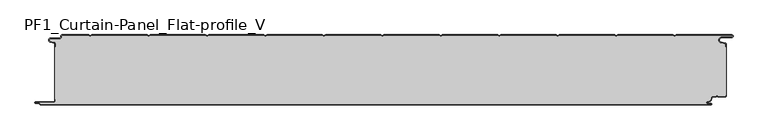
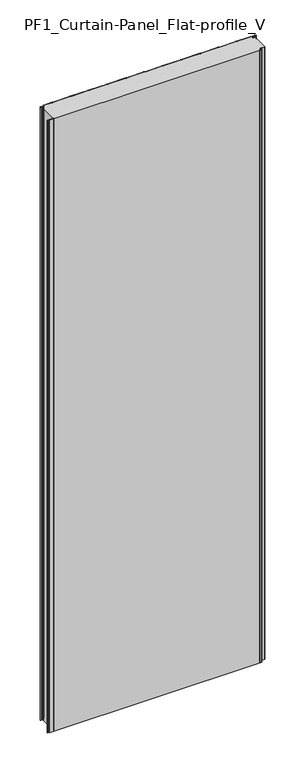
"""IFC4 building model written with IfcOpenShell, lengths in millimetres: plate geometry, PF1_Curtain-Panel_Flat-profile_V."""

from ifc_helpers import new_model, si_unit, point, frame_2d, origin, origin_with_axes, place, context, project, spatial, polyline, circle_curve, trimmed, segment, composite_curve, outline, extrude, source, transform, mapped, element, save


def pf1_curtain_panel_flat_profile_v_a1e97c4b(model_context):
    return source(origin(), model_context, "Body", "SweptSolid", [
        extrude(outline(composite_curve([segment(trimmed(circle_curve(frame_2d((-577.0, -15.878557)), 2.0), [point((-575.0, -15.878557))], [point((-576.5500978, -13.9298169))], True, "CARTESIAN"), True, "CONTINUOUS"), segment(polyline([(-576.5500978, -13.9298169), (-582.7098239, -12.507732)]), True, "CONTINUOUS"), segment(trimmed(circle_curve(frame_2d((-581.9, -9.0)), 3.6), [point((-582.7098239, -12.507732))], [point((-581.9, -5.4))], False, "CARTESIAN"), True, "CONTINUOUS"), segment(polyline([(-581.9, -5.4), (-566.4, -5.4)]), True, "CONTINUOUS"), segment(trimmed(circle_curve(frame_2d((-566.4, -3.4)), 2.0), [point((-566.4, -5.4))], [point((-564.4, -3.4))], True, "CARTESIAN"), True, "CONTINUOUS"), segment(polyline([(-564.4, -3.4), (-564.4, -2.0)]), True, "CONTINUOUS"), segment(trimmed(circle_curve(frame_2d((-562.4, -2.0)), 2.0), [point((-564.4, -2.0))], [point((-562.4, 0.0))], False, "CARTESIAN"), True, "CONTINUOUS"), segment(polyline([(-562.4, 0.0), (-517.0999995, 0.0), (-514.4, -1.5588455), (-511.7000005, 0.0), (-417.0999995, 0.0), (-414.4, -1.5588455), (-411.7000005, 0.0), (-317.0999995, 0.0), (-314.4, -1.5588455), (-311.7000005, 0.0), (-217.0999995, 0.0), (-214.4, -1.5588455), (-211.7000005, 0.0), (-117.0999995, 0.0), (-114.4, -1.5588455), (-111.7000005, 0.0), (-17.0999995, 0.0), (-14.4, -1.5588455), (-11.7000005, 0.0), (82.9000005, 0.0), (85.6, -1.5588455), (88.2999995, 0.0), (182.9000005, 0.0), (185.6, -1.5588455), (188.2999995, 0.0), (282.9000005, 0.0), (285.6, -1.5588455), (288.2999995, 0.0), (382.9000005, 0.0), (385.6, -1.5588455), (388.2999995, 0.0), (482.9000005, 0.0), (485.6, -1.5588455), (488.2999995, 0.0), (583.268846, 0.0)]), True, "CONTINUOUS"), segment(trimmed(circle_curve(frame_2d((583.268846, -2.5)), 2.5), [point((583.268846, 0.0))], [point((583.268846, -5.0))], False, "CARTESIAN"), True, "CONTINUOUS"), segment(polyline([(583.268846, -5.0), (566.268846, -5.0)]), True, "CONTINUOUS"), segment(trimmed(circle_curve(frame_2d((566.268846, -9.0)), 4.0), [point((566.268846, -5.0))], [point((565.574253, -12.939231))], True, "CARTESIAN"), True, "CONTINUOUS"), segment(polyline([(565.574253, -12.939231), (572.0203315, -14.0758491)]), True, "CONTINUOUS"), segment(trimmed(circle_curve(frame_2d((571.568846, -16.6363492)), 2.6), [point((572.0203315, -14.0758491))], [point((574.168846, -16.6363492))], False, "CARTESIAN"), True, "CONTINUOUS"), segment(polyline([(574.168846, -16.6363492), (574.168846, -20.0), (573.368846, -20.0), (573.368846, -16.6363492)]), True, "CONTINUOUS"), segment(trimmed(circle_curve(frame_2d((571.568846, -16.6363492)), 1.8), [point((573.368846, -16.6363492))], [point((571.8814129, -14.8636953))], True, "CARTESIAN"), True, "CONTINUOUS"), segment(polyline([(571.8814129, -14.8636953), (565.4353344, -13.7270772)]), True, "CONTINUOUS"), segment(trimmed(circle_curve(frame_2d((566.268846, -9.0)), 4.8), [point((565.4353344, -13.7270772))], [point((566.268846, -4.2))], False, "CARTESIAN"), True, "CONTINUOUS"), segment(polyline([(566.268846, -4.2), (583.268846, -4.2)]), True, "CONTINUOUS"), segment(trimmed(circle_curve(frame_2d((583.268846, -2.5)), 1.7), [point((583.268846, -4.2))], [point((583.268846, -0.8))], True, "CARTESIAN"), True, "CONTINUOUS"), segment(polyline([(583.268846, -0.8), (488.5143588, -0.8), (485.6, -2.482606), (482.6856412, -0.8), (388.5143588, -0.8), (385.6, -2.482606), (382.6856412, -0.8), (288.5143588, -0.8), (285.6, -2.482606), (282.6856412, -0.8), (188.5143588, -0.8), (185.6, -2.482606), (182.6856412, -0.8), (88.5143588, -0.8), (85.6, -2.482606), (82.6856412, -0.8), (-11.4856412, -0.8), (-14.4, -2.482606), (-17.3143588, -0.8), (-111.4856412, -0.8), (-114.4, -2.482606), (-117.3143588, -0.8), (-211.4856412, -0.8), (-214.4, -2.482606), (-217.3143588, -0.8), (-311.4856412, -0.8), (-314.4, -2.482606), (-317.3143588, -0.8), (-411.4856412, -0.8), (-414.4, -2.482606), (-417.3143588, -0.8), (-511.4856412, -0.8), (-514.4, -2.482606), (-517.3143588, -0.8), (-562.4, -0.8)]), True, "CONTINUOUS"), segment(trimmed(circle_curve(frame_2d((-562.4, -2.0)), 1.2), [point((-562.4, -0.8))], [point((-563.6, -2.0))], True, "CARTESIAN"), True, "CONTINUOUS"), segment(polyline([(-563.6, -2.0), (-563.6, -3.4)]), True, "CONTINUOUS"), segment(trimmed(circle_curve(frame_2d((-566.4, -3.4)), 2.8), [point((-563.6, -3.4))], [point((-566.4, -6.2))], False, "CARTESIAN"), True, "CONTINUOUS"), segment(polyline([(-566.4, -6.2), (-581.9, -6.2)]), True, "CONTINUOUS"), segment(trimmed(circle_curve(frame_2d((-581.9, -9.0)), 2.8), [point((-581.9, -6.2))], [point((-582.529863, -11.7282362))], True, "CARTESIAN"), True, "CONTINUOUS"), segment(polyline([(-582.529863, -11.7282362), (-576.370137, -13.150321)]), True, "CONTINUOUS"), segment(trimmed(circle_curve(frame_2d((-577.0, -15.878557)), 2.8), [point((-576.370137, -13.150321))], [point((-574.2, -15.878557))], False, "CARTESIAN"), True, "CONTINUOUS"), segment(polyline([(-574.2, -15.878557), (-574.2, -20.0), (-575.0, -20.0), (-575.0, -15.878557)]), True, "CONTINUOUS")], self_intersect=False)), origin_with_axes(), (0.0, 0.0, 1.0), 3500.0),
        extrude(outline(composite_curve([segment(polyline([(-574.2, -110.0), (-575.0, -110.0), (-575.0, -20.0), (-574.2, -20.0), (-574.2, -15.878557)]), True, "CONTINUOUS"), segment(trimmed(circle_curve(frame_2d((-577.0, -15.878557)), 2.8), [point((-574.2, -15.878557))], [point((-576.370137, -13.1503208))], True, "CARTESIAN"), True, "CONTINUOUS"), segment(polyline([(-576.370137, -13.1503208), (-582.529863, -11.7282362)]), True, "CONTINUOUS"), segment(trimmed(circle_curve(frame_2d((-581.9, -9.0)), 2.8), [point((-582.529863, -11.7282362))], [point((-581.9, -6.2))], False, "CARTESIAN"), True, "CONTINUOUS"), segment(polyline([(-581.9, -6.2), (-566.4, -6.2)]), True, "CONTINUOUS"), segment(trimmed(circle_curve(frame_2d((-566.4, -3.4)), 2.8), [point((-566.4, -6.2))], [point((-563.6, -3.4))], True, "CARTESIAN"), True, "CONTINUOUS"), segment(polyline([(-563.6, -3.4), (-563.6, -2.0)]), True, "CONTINUOUS"), segment(trimmed(circle_curve(frame_2d((-562.4, -2.0)), 1.2), [point((-563.6, -2.0))], [point((-562.4, -0.8))], False, "CARTESIAN"), True, "CONTINUOUS"), segment(polyline([(-562.4, -0.8), (-517.3143588, -0.8), (-514.4, -2.482606), (-511.4856412, -0.8), (-417.3143588, -0.8), (-414.4, -2.482606), (-411.4856412, -0.8), (-317.3143588, -0.8), (-314.4, -2.482606), (-311.4856412, -0.8), (-217.3143588, -0.8), (-214.4, -2.482606), (-211.4856412, -0.8), (-117.3143588, -0.8), (-114.4, -2.482606), (-111.4856412, -0.8), (-17.3143588, -0.8), (-14.4, -2.482606), (-11.4856412, -0.8), (82.6856412, -0.8), (85.6, -2.482606), (88.5143588, -0.8), (182.6856412, -0.8), (185.6, -2.482606), (188.5143588, -0.8), (282.6856412, -0.8), (285.6, -2.482606), (288.5143588, -0.8), (382.6856412, -0.8), (385.6, -2.482606), (388.5143588, -0.8), (482.6856412, -0.8), (485.6, -2.482606), (488.5143588, -0.8), (583.268846, -0.8)]), True, "CONTINUOUS"), segment(trimmed(circle_curve(frame_2d((583.268846, -2.5)), 1.7), [point((583.268846, -0.8))], [point((583.268846, -4.2))], False, "CARTESIAN"), True, "CONTINUOUS"), segment(polyline([(583.268846, -4.2), (566.268846, -4.2)]), True, "CONTINUOUS"), segment(trimmed(circle_curve(frame_2d((566.268846, -9.0)), 4.8), [point((566.268846, -4.2))], [point((565.4353344, -13.7270772))], True, "CARTESIAN"), True, "CONTINUOUS"), segment(polyline([(565.4353344, -13.7270772), (571.8814129, -14.8636953)]), True, "CONTINUOUS"), segment(trimmed(circle_curve(frame_2d((571.568846, -16.6363492)), 1.8), [point((571.8814129, -14.8636953))], [point((573.368846, -16.6363492))], False, "CARTESIAN"), True, "CONTINUOUS"), segment(polyline([(573.368846, -16.6363492), (573.368846, -20.0), (574.168846, -20.0), (574.168846, -103.0), (573.368846, -103.0), (573.368846, -104.4)]), True, "CONTINUOUS"), segment(trimmed(circle_curve(frame_2d((571.568846, -104.4)), 1.8), [point((573.368846, -104.4))], [point((571.568846, -106.2))], False, "CARTESIAN"), True, "CONTINUOUS"), segment(polyline([(571.568846, -106.2), (560.0002158, -106.2), (558.168846, -104.3686285), (556.3374762, -106.2), (550.168846, -106.2)]), True, "CONTINUOUS"), segment(trimmed(circle_curve(frame_2d((550.168846, -108.0)), 1.8), [point((550.168846, -106.2))], [point((548.368846, -108.0))], True, "CARTESIAN"), True, "CONTINUOUS"), segment(polyline([(548.368846, -108.0), (548.368846, -108.8276204)]), True, "CONTINUOUS"), segment(trimmed(circle_curve(frame_2d((542.9964664, -108.8276204)), 5.3723796), [point((548.368846, -108.8276204))], [point((542.9964664, -114.2))], False, "CARTESIAN"), True, "CONTINUOUS"), segment(polyline([(542.9964664, -114.2), (542.168846, -114.2)]), True, "CONTINUOUS"), segment(trimmed(circle_curve(frame_2d((542.168846, -116.4)), 2.2), [point((542.168846, -114.2))], [point((542.168846, -118.6))], True, "CARTESIAN"), True, "CONTINUOUS"), segment(polyline([(542.168846, -118.6), (548.0579973, -118.6)]), True, "CONTINUOUS"), segment(trimmed(circle_curve(frame_2d((548.0579973, -118.9)), 0.3), [point((548.0579973, -118.6))], [point((548.0579973, -119.2))], False, "CARTESIAN"), True, "CONTINUOUS"), segment(polyline([(548.0579973, -119.2), (-599.4, -119.2)]), True, "CONTINUOUS"), segment(trimmed(circle_curve(frame_2d((-599.4, -118.4)), 0.8), [point((-599.4, -119.2))], [point((-600.2, -118.4))], False, "CARTESIAN"), True, "CONTINUOUS"), segment(trimmed(circle_curve(frame_2d((-601.9, -118.6133333)), 1.7133333), [point((-600.2, -118.4))], [point((-601.9, -116.9))], True, "CARTESIAN"), True, "CONTINUOUS"), segment(polyline([(-601.9, -116.9), (-607.8700312, -116.9)]), True, "CONTINUOUS"), segment(trimmed(circle_curve(frame_2d((-607.8700312, -116.6)), 0.3), [point((-607.8700312, -116.9))], [point((-607.8700312, -116.3))], False, "CARTESIAN"), True, "CONTINUOUS"), segment(polyline([(-607.8700312, -116.3), (-577.0, -116.3)]), True, "CONTINUOUS"), segment(trimmed(circle_curve(frame_2d((-577.0, -113.5)), 2.8), [point((-577.0, -116.3))], [point((-574.2, -113.5))], True, "CARTESIAN"), True, "CONTINUOUS"), segment(polyline([(-574.2, -113.5), (-574.2, -110.0)]), True, "CONTINUOUS")], self_intersect=False)), origin_with_axes(), (0.0, 0.0, 1.0), 3500.0),
        extrude(outline(composite_curve([segment(polyline([(-575.0, -110.0), (-574.2, -110.0), (-574.2, -113.5)]), True, "CONTINUOUS"), segment(trimmed(circle_curve(frame_2d((-577.0, -113.5)), 2.8), [point((-574.2, -113.5))], [point((-577.0, -116.3))], False, "CARTESIAN"), True, "CONTINUOUS"), segment(polyline([(-577.0, -116.3), (-607.8700312, -116.3)]), True, "CONTINUOUS"), segment(trimmed(circle_curve(frame_2d((-607.8700312, -116.6)), 0.3), [point((-607.8700312, -116.3))], [point((-607.8700312, -116.9))], True, "CARTESIAN"), True, "CONTINUOUS"), segment(polyline([(-607.8700312, -116.9), (-601.9, -116.9)]), True, "CONTINUOUS"), segment(trimmed(circle_curve(frame_2d((-601.9, -118.6133333)), 1.7133333), [point((-601.9, -116.9))], [point((-600.2, -118.4))], False, "CARTESIAN"), True, "CONTINUOUS"), segment(trimmed(circle_curve(frame_2d((-599.4, -118.4)), 0.8), [point((-600.2, -118.4))], [point((-599.4, -119.2))], True, "CARTESIAN"), True, "CONTINUOUS"), segment(polyline([(-599.4, -119.2), (548.0579973, -119.2)]), True, "CONTINUOUS"), segment(trimmed(circle_curve(frame_2d((548.0579973, -118.9)), 0.3), [point((548.0579973, -119.2))], [point((548.0579973, -118.6))], True, "CARTESIAN"), True, "CONTINUOUS"), segment(polyline([(548.0579973, -118.6), (542.168846, -118.6)]), True, "CONTINUOUS"), segment(trimmed(circle_curve(frame_2d((542.168846, -116.4)), 2.2), [point((542.168846, -118.6))], [point((542.168846, -114.2))], False, "CARTESIAN"), True, "CONTINUOUS"), segment(polyline([(542.168846, -114.2), (542.9964664, -114.2)]), True, "CONTINUOUS"), segment(trimmed(circle_curve(frame_2d((542.9964664, -108.8276204)), 5.3723796), [point((542.9964664, -114.2))], [point((548.368846, -108.8276204))], True, "CARTESIAN"), True, "CONTINUOUS"), segment(polyline([(548.368846, -108.8276204), (548.368846, -108.0)]), True, "CONTINUOUS"), segment(trimmed(circle_curve(frame_2d((550.168846, -108.0)), 1.8), [point((548.368846, -108.0))], [point((550.168846, -106.2))], False, "CARTESIAN"), True, "CONTINUOUS"), segment(polyline([(550.168846, -106.2), (556.3374762, -106.2), (558.168846, -104.3686285), (560.0002158, -106.2), (571.568846, -106.2)]), True, "CONTINUOUS"), segment(trimmed(circle_curve(frame_2d((571.568846, -104.4)), 1.8), [point((571.568846, -106.2))], [point((573.368846, -104.4))], True, "CARTESIAN"), True, "CONTINUOUS"), segment(polyline([(573.368846, -104.4), (573.368846, -103.0), (574.168846, -103.0), (574.168846, -104.4)]), True, "CONTINUOUS"), segment(trimmed(circle_curve(frame_2d((571.568846, -104.4)), 2.6), [point((574.168846, -104.4))], [point((571.568846, -107.0))], False, "CARTESIAN"), True, "CONTINUOUS"), segment(polyline([(571.568846, -107.0), (559.6688448, -107.0), (558.168846, -105.4999999), (556.6688472, -107.0), (550.168846, -107.0)]), True, "CONTINUOUS"), segment(trimmed(circle_curve(frame_2d((550.168846, -108.0)), 1.0), [point((550.168846, -107.0))], [point((549.168846, -108.0))], True, "CARTESIAN"), True, "CONTINUOUS"), segment(polyline([(549.168846, -108.0), (549.168846, -108.8276204)]), True, "CONTINUOUS"), segment(trimmed(circle_curve(frame_2d((542.9964664, -108.8276204)), 6.1723796), [point((549.168846, -108.8276204))], [point((542.9964664, -115.0))], False, "CARTESIAN"), True, "CONTINUOUS"), segment(polyline([(542.9964664, -115.0), (542.168846, -115.0)]), True, "CONTINUOUS"), segment(trimmed(circle_curve(frame_2d((542.168846, -116.5)), 1.5), [point((542.168846, -115.0))], [point((542.168846, -118.0))], True, "CARTESIAN"), True, "CONTINUOUS"), segment(polyline([(542.168846, -118.0), (548.168846, -118.0)]), True, "CONTINUOUS"), segment(trimmed(circle_curve(frame_2d((548.168846, -119.0)), 1.0), [point((548.168846, -118.0))], [point((548.168846, -120.0))], False, "CARTESIAN"), True, "CONTINUOUS"), segment(polyline([(548.168846, -120.0), (-599.4, -120.0)]), True, "CONTINUOUS"), segment(trimmed(circle_curve(frame_2d((-599.4, -118.4)), 1.6), [point((-599.4, -120.0))], [point((-601.0, -118.4))], False, "CARTESIAN"), True, "CONTINUOUS"), segment(trimmed(circle_curve(frame_2d((-601.9, -118.4)), 0.9), [point((-601.0, -118.4))], [point((-601.9, -117.5))], True, "CARTESIAN"), True, "CONTINUOUS"), segment(polyline([(-601.9, -117.5), (-608.0, -117.5)]), True, "CONTINUOUS"), segment(trimmed(circle_curve(frame_2d((-608.0, -116.5)), 1.0), [point((-608.0, -117.5))], [point((-608.0, -115.5))], False, "CARTESIAN"), True, "CONTINUOUS"), segment(polyline([(-608.0, -115.5), (-577.0, -115.5)]), True, "CONTINUOUS"), segment(trimmed(circle_curve(frame_2d((-577.0, -113.5)), 2.0), [point((-577.0, -115.5))], [point((-575.0, -113.5))], True, "CARTESIAN"), True, "CONTINUOUS"), segment(polyline([(-575.0, -113.5), (-575.0, -110.0)]), True, "CONTINUOUS")], self_intersect=False)), origin_with_axes(), (0.0, 0.0, 1.0), 3500.0),
    ])


if __name__ == "__main__":
    model = new_model("IFC4")
    model_context = context("Model", 3, world=origin())
    ifc_project = project(units=[si_unit("LENGTHUNIT", "METRE", prefix="MILLI")], contexts=[model_context])
    site = spatial("IfcSite", under=ifc_project)
    building = spatial("IfcBuilding", under=site)
    placement = place(None, origin())
    pf1_curtain_panel_flat_profile_v_shape = pf1_curtain_panel_flat_profile_v_a1e97c4b(model_context)
    element("IfcPlate", 1, ObjectType="PF1_Curtain-Panel_Flat-profile_V", at=placement, inside=building, context=model_context, shape_type="MappedRepresentation", body=[
        mapped(pf1_curtain_panel_flat_profile_v_shape, transform((0.0, 0.0, 0.0), x_axis=(1.0, 0.0, 0.0), y_axis=(0.0, 1.0, 0.0), z_axis=(0.0, 0.0, 1.0))),
    ])
    save(model, "model.ifc")
